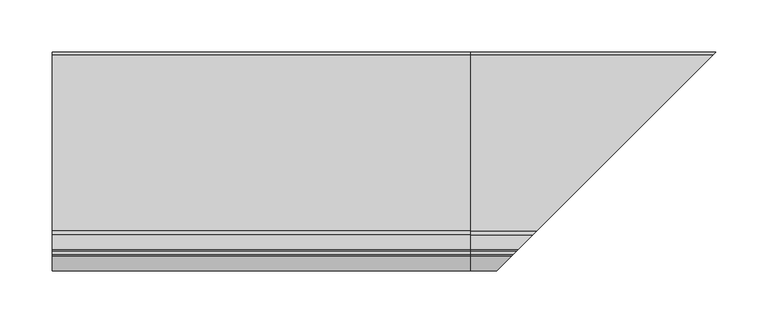
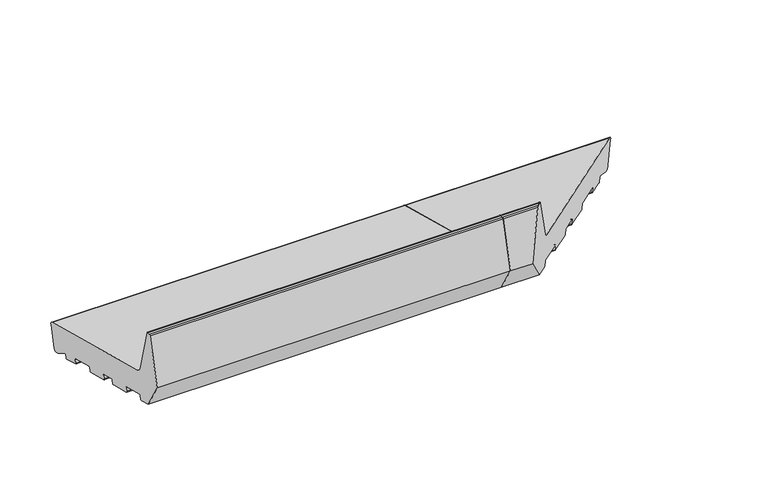
"""IFC4 building model written with IfcOpenShell, lengths in millimetres: proxy geometry."""

from ifc_helpers import new_model, si_unit, point, frame, frame_2d, origin, place, context, project, spatial, polyline, circle_curve, ellipse_curve, trimmed, segment, composite_curve, outline, extrude, source, transform, mapped, element, save
from ifc_brep_helpers import plane_surface, cylinder_surface, revolved_surface, advanced_brep


def generic_models_c1f37c55(model_context):
    return source(origin(), model_context, "Body", "SolidModel", [
        advanced_brep(
        [(400.0, 24.5646181, 4.2013545), (400.0, 21.6668406, 4.9778116), (400.0, 7.6810717, 13.5112573), (400.0, 6.1942921, 12.9164305), (400.0, 5.2461016, 9.3777354), (400.0, 4.0213567, 8.6706286), (400.0, -13.3653082, 13.3293714), (400.0, -14.072415, 14.5541163), (400.0, -13.0371388, 18.4178196), (400.0, -13.7442456, 19.6425645), (400.0, -39.8242429, 26.6306787), (400.0, -41.0489877, 25.9235719), (400.0, -42.0842639, 22.0598686), (400.0, -43.3090088, 21.3527618), (400.0, -68.4230803, 28.082057), (400.0, -69.1301871, 29.3068018), (400.0, -68.0949109, 33.1705052), (400.0, -68.8020177, 34.39525), (400.0, -84.2568309, 38.5363547), (400.0, -85.4815758, 37.829248), (400.0, -86.5168519, 33.9655447), (400.0, -87.7415968, 33.2584379), (400.0, -112.8556683, 39.9877331), (400.0, -113.5627751, 41.2124779), (400.0, -112.5274989, 45.0761812), (400.0, -113.2346057, 46.3009261), (400.0, -139.314603, 53.2890403), (400.0, -140.5393479, 52.5819335), (400.0, -141.574624, 48.7182302), (400.0, -142.7993689, 48.0111234), (400.0, -156.3223305, 51.6345901), (400.0, -174.0, 82.2532119), (400.0, -159.6423334, 135.8367531), (400.0, -158.1934447, 136.9485245), (400.0, -155.1818846, 136.9485245), (400.0, -153.7329958, 135.8367531), (400.0, -139.984545, 84.5268362), (400.0, -135.7419043, 80.2841955), (400.0, 32.8468275, 35.1109809), (400.0, 34.9681479, 31.4367463), (400.0, 28.2388527, 6.3226748), (627.2388527, 28.2388527, 6.3226748), (623.5646181, 24.5646181, 4.2013545), (633.9681479, 34.9681479, 31.4367463), (631.8468275, 32.8468275, 35.1109809), (463.2580957, -135.7419043, 80.2841955), (459.015455, -139.984545, 84.5268362), (445.2670042, -153.7329958, 135.8367531), (443.8181154, -155.1818846, 136.9485245), (440.8065553, -158.1934447, 136.9485245), (439.3576666, -159.6423334, 135.8367531), (425.0, -174.0, 82.2532119), (442.6776695, -156.3223305, 51.6345901), (456.2006311, -142.7993689, 48.0111234), (457.425376, -141.574624, 48.7182302), (458.4606521, -140.5393479, 52.5819335), (459.685397, -139.314603, 53.2890403), (485.7653943, -113.2346057, 46.3009261), (486.4725011, -112.5274989, 45.0761812), (485.4372249, -113.5627751, 41.2124779), (486.1443317, -112.8556683, 39.9877331), (511.2584032, -87.7415968, 33.2584379), (512.4831481, -86.5168519, 33.9655447), (513.5184242, -85.4815758, 37.829248), (514.7431691, -84.2568309, 38.5363547), (620.6668406, 21.6668406, 4.9778116), (530.1979823, -68.8020177, 34.39525), (530.5769197, -68.4230803, 28.082057), (529.8698129, -69.1301871, 29.3068018), (530.9050891, -68.0949109, 33.1705052), (555.6909912, -43.3090088, 21.3527618), (556.9157361, -42.0842639, 22.0598686), (557.9510123, -41.0489877, 25.9235719), (559.1757571, -39.8242429, 26.6306787), (585.2557544, -13.7442456, 19.6425645), (585.9628612, -13.0371388, 18.4178196), (584.927585, -14.072415, 14.5541163), (585.6346918, -13.3653082, 13.3293714), (603.0213567, 4.0213567, 8.6706286), (604.2461016, 5.2461016, 9.3777354), (605.1942921, 6.1942921, 12.9164305), (606.6810717, 7.6810717, 13.5112573)],
        [
            (0, 1),
            (1, 2),
            (2, 3, circle_curve(frame((400.0, 7.1602179, 12.6576114), z_axis=(1.0, 0.0, 0.0), x_axis=(0.0, 1.0, 0.0)), 1.0)),
            (3, 4),
            (4, 5, circle_curve(frame((400.0, 4.2801757, 9.6365544), z_axis=(-1.0, 0.0, 0.0), x_axis=(0.0, 1.0, 0.0)), 1.0)),
            (5, 6),
            (6, 7, circle_curve(frame((400.0, -13.1064891, 14.2952972), z_axis=(-1.0, 0.0, 0.0), x_axis=(0.0, 1.0, 0.0)), 1.0)),
            (7, 8),
            (8, 9, circle_curve(frame((400.0, -14.0030646, 18.6766386), z_axis=(1.0, 0.0, 0.0), x_axis=(0.0, 1.0, 0.0)), 1.0)),
            (9, 10),
            (10, 11, circle_curve(frame((400.0, -40.0830619, 25.6647528), z_axis=(1.0, 0.0, 0.0), x_axis=(0.0, 1.0, 0.0)), 1.0)),
            (11, 12),
            (12, 13, circle_curve(frame((400.0, -43.0501897, 22.3186876), z_axis=(-1.0, 0.0, 0.0), x_axis=(0.0, 1.0, 0.0)), 1.0)),
            (13, 14),
            (14, 15, circle_curve(frame((400.0, -68.1642612, 29.0479828), z_axis=(-1.0, 0.0, 0.0), x_axis=(0.0, 1.0, 0.0)), 1.0)),
            (15, 16),
            (16, 17, circle_curve(frame((400.0, -69.0608367, 33.4293242), z_axis=(1.0, 0.0, 0.0), x_axis=(0.0, 1.0, 0.0)), 1.0)),
            (17, 18),
            (18, 19, circle_curve(frame((400.0, -84.5156499, 37.5704289), z_axis=(1.0, 0.0, 0.0), x_axis=(0.0, 1.0, 0.0)), 1.0)),
            (19, 20),
            (20, 21, circle_curve(frame((400.0, -87.4827778, 34.2243637), z_axis=(-1.0, 0.0, 0.0), x_axis=(0.0, 1.0, 0.0)), 1.0)),
            (21, 22),
            (22, 23, circle_curve(frame((400.0, -112.5968492, 40.9536589), z_axis=(-1.0, 0.0, 0.0), x_axis=(0.0, 1.0, 0.0)), 1.0)),
            (23, 24),
            (24, 25, circle_curve(frame((400.0, -113.4934247, 45.3350003), z_axis=(1.0, 0.0, 0.0), x_axis=(0.0, 1.0, 0.0)), 1.0)),
            (25, 26),
            (26, 27, circle_curve(frame((400.0, -139.573422, 52.3231145), z_axis=(1.0, 0.0, 0.0), x_axis=(0.0, 1.0, 0.0)), 1.0)),
            (27, 28),
            (28, 29, circle_curve(frame((400.0, -142.5405499, 48.9770493), z_axis=(-1.0, 0.0, 0.0), x_axis=(0.0, 1.0, 0.0)), 1.0)),
            (29, 30),
            (30, 31),
            (31, 32),
            (32, 33, circle_curve(frame((400.0, -158.1934447, 135.4485245), z_axis=(-1.0, 0.0, 0.0), x_axis=(0.0, 1.0, 0.0)), 1.5)),
            (33, 34),
            (34, 35, circle_curve(frame((400.0, -155.1818846, 135.4485245), z_axis=(-1.0, 0.0, 0.0), x_axis=(0.0, 1.0, 0.0)), 1.5)),
            (35, 36),
            (36, 37, circle_curve(frame((400.0, -134.1889901, 86.0797504), z_axis=(1.0, 0.0, 0.0), x_axis=(0.0, 1.0, 0.0)), 6.0)),
            (37, 38),
            (38, 39, circle_curve(frame((400.0, 32.0703704, 32.2132034), z_axis=(-1.0, 0.0, 0.0), x_axis=(0.0, 1.0, 0.0)), 3.0)),
            (39, 40),
            (40, 0, circle_curve(frame((400.0, 25.3410752, 7.099132), z_axis=(-1.0, 0.0, 0.0), x_axis=(0.0, 1.0, 0.0)), 3.0)),
            (40, 41),
            (41, 42, ellipse_curve(frame((624.3410752, 25.3410752, 7.099132), z_axis=(-0.707106781186548, 0.7071067811865471, 0.0), x_axis=(0.707106781186547, 0.707106781186548, 0.0)), 4.2426407, 3.0)),
            (42, 0),
            (39, 43),
            (43, 41),
            (38, 44),
            (44, 43, ellipse_curve(frame((631.0703704, 32.0703704, 32.2132034), z_axis=(-0.707106781186548, 0.7071067811865471, 0.0), x_axis=(0.707106781186547, 0.707106781186548, 0.0)), 4.2426407, 3.0)),
            (37, 45),
            (45, 44),
            (36, 46),
            (46, 45, ellipse_curve(frame((464.8110099, -134.1889901, 86.0797504), z_axis=(0.707106781186548, -0.7071067811865471, 0.0), x_axis=(-0.707106781186547, -0.707106781186548, 0.0)), 8.4852814, 6.0)),
            (35, 47),
            (47, 46),
            (34, 48),
            (48, 47, ellipse_curve(frame((443.8181154, -155.1818846, 135.4485245), z_axis=(-0.707106781186548, 0.7071067811865471, 0.0), x_axis=(0.707106781186547, 0.707106781186548, 0.0)), 2.1213203, 1.5)),
            (33, 49),
            (49, 48),
            (32, 50),
            (50, 49, ellipse_curve(frame((440.8065553, -158.1934447, 135.4485245), z_axis=(-0.707106781186548, 0.7071067811865471, 0.0), x_axis=(0.707106781186547, 0.707106781186548, 0.0)), 2.1213203, 1.5)),
            (31, 51),
            (51, 50),
            (30, 52),
            (52, 51),
            (29, 53),
            (53, 52),
            (28, 54),
            (54, 53, ellipse_curve(frame((456.4594501, -142.5405499, 48.9770493), z_axis=(-0.707106781186548, 0.7071067811865471, 0.0), x_axis=(0.707106781186547, 0.707106781186548, 0.0)), 1.4142136, 1.0)),
            (27, 55),
            (55, 54),
            (26, 56),
            (56, 55, ellipse_curve(frame((459.426578, -139.573422, 52.3231145), z_axis=(0.707106781186548, -0.7071067811865471, 0.0), x_axis=(-0.707106781186547, -0.707106781186548, 0.0)), 1.4142136, 1.0)),
            (25, 57),
            (57, 56),
            (24, 58),
            (58, 57, ellipse_curve(frame((485.5065753, -113.4934247, 45.3350003), z_axis=(0.707106781186548, -0.7071067811865471, 0.0), x_axis=(-0.707106781186547, -0.707106781186548, 0.0)), 1.4142136, 1.0)),
            (23, 59),
            (59, 58),
            (22, 60),
            (60, 59, ellipse_curve(frame((486.4031508, -112.5968492, 40.9536589), z_axis=(-0.707106781186548, 0.7071067811865471, 0.0), x_axis=(0.707106781186547, 0.707106781186548, 0.0)), 1.4142136, 1.0)),
            (21, 61),
            (61, 60),
            (20, 62),
            (62, 61, ellipse_curve(frame((511.5172222, -87.4827778, 34.2243637), z_axis=(-0.707106781186548, 0.7071067811865471, 0.0), x_axis=(0.707106781186547, 0.707106781186548, 0.0)), 1.4142136, 1.0)),
            (19, 63),
            (63, 62),
            (18, 64),
            (64, 63, ellipse_curve(frame((514.4843501, -84.5156499, 37.5704289), z_axis=(0.707106781186548, -0.7071067811865471, 0.0), x_axis=(-0.707106781186547, -0.707106781186548, 0.0)), 1.4142136, 1.0)),
            (42, 65),
            (65, 1),
            (17, 66),
            (66, 64),
            (14, 67),
            (67, 68, ellipse_curve(frame((530.8357388, -68.1642612, 29.0479828), z_axis=(-0.707106781186548, 0.7071067811865471, 0.0), x_axis=(0.707106781186547, 0.707106781186548, 0.0)), 1.4142136, 1.0)),
            (68, 15),
            (68, 69),
            (69, 16),
            (69, 66, ellipse_curve(frame((529.9391633, -69.0608367, 33.4293242), z_axis=(0.707106781186548, -0.7071067811865471, 0.0), x_axis=(-0.707106781186547, -0.707106781186548, 0.0)), 1.4142136, 1.0)),
            (13, 70),
            (70, 67),
            (12, 71),
            (71, 70, ellipse_curve(frame((555.9498103, -43.0501897, 22.3186876), z_axis=(-0.707106781186548, 0.7071067811865471, 0.0), x_axis=(0.707106781186547, 0.707106781186548, 0.0)), 1.4142136, 1.0)),
            (11, 72),
            (72, 71),
            (10, 73),
            (73, 72, ellipse_curve(frame((558.9169381, -40.0830619, 25.6647528), z_axis=(0.707106781186548, -0.7071067811865471, 0.0), x_axis=(-0.707106781186547, -0.707106781186548, 0.0)), 1.4142136, 1.0)),
            (9, 74),
            (74, 73),
            (74, 75, ellipse_curve(frame((584.9969354, -14.0030646, 18.6766386), z_axis=(-0.707106781186548, 0.7071067811865471, 0.0), x_axis=(-0.707106781186547, -0.707106781186548, 0.0)), 1.4142136, 1.0)),
            (75, 76),
            (76, 77, ellipse_curve(frame((585.8935109, -13.1064891, 14.2952972), z_axis=(0.707106781186548, -0.7071067811865471, 0.0), x_axis=(0.707106781186547, 0.707106781186548, 0.0)), 1.4142136, 1.0)),
            (77, 78),
            (78, 79, ellipse_curve(frame((603.2801757, 4.2801757, 9.6365544), z_axis=(0.707106781186548, -0.7071067811865471, 0.0), x_axis=(0.707106781186547, 0.707106781186548, 0.0)), 1.4142136, 1.0)),
            (79, 80),
            (80, 81, ellipse_curve(frame((606.1602179, 7.1602179, 12.6576114), z_axis=(-0.707106781186548, 0.7071067811865471, 0.0), x_axis=(-0.707106781186547, -0.707106781186548, 0.0)), 1.4142136, 1.0)),
            (81, 65),
            (81, 2),
            (80, 3),
            (79, 4),
            (78, 5),
            (77, 6),
            (76, 7),
            (75, 8),
        ],
        [
            plane_surface(frame((400.0, 0.0, 0.0), z_axis=(-1.0, 0.0, 0.0), x_axis=(0.0, 0.0, 1.0))),
            cylinder_surface(frame((634.3741644, 25.3410752, 7.099132), z_axis=(1.0, 0.0, 0.0), x_axis=(0.0, 1.0, 0.0)), 3.0),
            plane_surface(frame((634.3741644, 34.9681479, 31.4367463), z_axis=(0.0, 0.9659258262890685, -0.25881904510252035), x_axis=(-1.0, 0.0, 0.0))),
            cylinder_surface(frame((634.3741644, 32.0703704, 32.2132034), z_axis=(1.0, 0.0, 0.0), x_axis=(0.0, 1.0, 0.0)), 3.0),
            plane_surface(frame((634.3741644, -135.7419043, 80.2841955), z_axis=(0.0, 0.2588190451025208, 0.9659258262890684), x_axis=(-1.0, 0.0, 0.0))),
            revolved_surface(polyline([(400.0, -128.1889901, 86.0797504), (470.8110099182161, -128.1889901, 86.0797504)]), (634.3741644, -134.1889901, 86.0797504), (-1.0, 0.0, 0.0)),
            plane_surface(frame((634.3741644, -153.7329958, 135.8367531), z_axis=(0.0, 0.9659258262890665, 0.2588190451025272), x_axis=(-1.0, 0.0, 0.0))),
            cylinder_surface(frame((634.3741644, -155.1818846, 135.4485245), z_axis=(1.0, 0.0, 0.0), x_axis=(0.0, 1.0, 0.0)), 1.5),
            plane_surface(frame((634.3741644, -158.1934447, 136.9485245), z_axis=(0.0, 0.0, 1.0), x_axis=(-1.0, 0.0, 0.0))),
            cylinder_surface(frame((634.3741644, -158.1934447, 135.4485245), z_axis=(1.0, 0.0, 0.0), x_axis=(0.0, 1.0, 0.0)), 1.5),
            plane_surface(frame((634.3741644, -174.0, 82.2532119), z_axis=(0.0, -0.9659258262890684, 0.25881904510252035), x_axis=(-1.0, 0.0, 0.0))),
            plane_surface(frame((634.3741644, -156.3223305, 51.6345901), z_axis=(0.0, -0.8660254037844376, -0.5000000000000019), x_axis=(-1.0, 0.0, 0.0))),
            plane_surface(frame((634.3741644, -142.7993689, 48.0111234), z_axis=(0.0, -0.258819045102519, -0.9659258262890688), x_axis=(-1.0, 0.0, 0.0))),
            cylinder_surface(frame((634.3741644, -142.5405499, 48.9770493), z_axis=(1.0, 0.0, 0.0), x_axis=(0.0, 1.0, 0.0)), 1.0),
            plane_surface(frame((634.3741644, -140.5393479, 52.5819335), z_axis=(0.0, 0.9659258262890676, -0.25881904510252307), x_axis=(-1.0, 0.0, 0.0))),
            revolved_surface(polyline([(400.0, -138.573422, 52.3231145), (460.42657802660625, -138.573422, 52.3231145)]), (634.3741644, -139.573422, 52.3231145), (-1.0, 0.0, 0.0)),
            plane_surface(frame((634.3741644, -113.2346057, 46.3009261), z_axis=(0.0, -0.2588190451025203, -0.9659258262890684), x_axis=(-1.0, 0.0, 0.0))),
            revolved_surface(polyline([(400.0, -112.4934247, 45.3350003), (486.50657532660625, -112.4934247, 45.3350003)]), (634.3741644, -113.4934247, 45.3350003), (-1.0, 0.0, 0.0)),
            plane_surface(frame((634.3741644, -113.5627751, 41.2124779), z_axis=(0.0, -0.9659258262890592, 0.25881904510255466), x_axis=(-1.0, 0.0, 0.0))),
            cylinder_surface(frame((634.3741644, -112.5968492, 40.9536589), z_axis=(1.0, 0.0, 0.0), x_axis=(0.0, 1.0, 0.0)), 1.0),
            plane_surface(frame((634.3741644, -87.7415968, 33.2584379), z_axis=(0.0, -0.25881904510252035, -0.9659258262890685), x_axis=(-1.0, 0.0, 0.0))),
            cylinder_surface(frame((634.3741644, -87.4827778, 34.2243637), z_axis=(1.0, 0.0, 0.0), x_axis=(0.0, 1.0, 0.0)), 1.0),
            plane_surface(frame((634.3741644, -85.4815758, 37.829248), z_axis=(0.0, 0.9659258262890762, -0.25881904510249154), x_axis=(-1.0, 0.0, 0.0))),
            revolved_surface(polyline([(400.0, -83.5156499, 37.5704289), (515.4843501266063, -83.5156499, 37.5704289)]), (634.3741644, -84.5156499, 37.5704289), (-1.0, 0.0, 0.0)),
            plane_surface(frame((634.3741644, 24.5646181, 4.2013545), z_axis=(0.0, -0.25881904510252896, -0.9659258262890661), x_axis=(-1.0, 0.0, 0.0))),
            plane_surface(frame((634.3741644, -68.8020177, 34.39525), z_axis=(0.0, -0.2588190451025202, -0.9659258262890685), x_axis=(-1.0, 0.0, 0.0))),
            cylinder_surface(frame((634.3741644, -68.1642612, 29.0479828), z_axis=(1.0, 0.0, 0.0), x_axis=(0.0, 1.0, 0.0)), 1.0),
            plane_surface(frame((634.3741644, -69.1301871, 29.3068018), z_axis=(0.0, -0.9659258262890762, 0.25881904510249154), x_axis=(-1.0, 0.0, 0.0))),
            revolved_surface(polyline([(400.0, -68.0608367, 33.4293242), (530.9391633266063, -68.0608367, 33.4293242)]), (634.3741644, -69.0608367, 33.4293242), (-1.0, 0.0, 0.0)),
            plane_surface(frame((634.3741644, -43.3090088, 21.3527618), z_axis=(0.0, -0.25881904510252096, -0.9659258262890683), x_axis=(-1.0, 0.0, 0.0))),
            cylinder_surface(frame((634.3741644, -43.0501897, 22.3186876), z_axis=(1.0, 0.0, 0.0), x_axis=(0.0, 1.0, 0.0)), 1.0),
            plane_surface(frame((634.3741644, -41.0489877, 25.9235719), z_axis=(0.0, 0.9659258262890676, -0.25881904510252307), x_axis=(-1.0, 0.0, 0.0))),
            revolved_surface(polyline([(400.0, -39.0830619, 25.6647528), (559.9169381266063, -39.0830619, 25.6647528)]), (634.3741644, -40.0830619, 25.6647528), (-1.0, 0.0, 0.0)),
            plane_surface(frame((634.3741644, -13.7442456, 19.6425645), z_axis=(0.0, -0.2588190451025203, -0.9659258262890684), x_axis=(-1.0, 0.0, 0.0))),
            plane_surface(frame((580.2045815, -18.7954185, 0.0), z_axis=(0.707106781186548, -0.7071067811865471, 0.0), x_axis=(0.0, 0.0, 1.0))),
            plane_surface(frame((634.3741644, 21.6668406, 4.9778116), z_axis=(0.0, -0.5208538026734657, -0.8536458962828736), x_axis=(-1.0, 0.0, 0.0))),
            revolved_surface(polyline([(400.0, 8.1602179, 12.6576114), (607.1602179266063, 8.1602179, 12.6576114)]), (634.3741644, 7.1602179, 12.6576114), (-1.0, 0.0, 0.0)),
            plane_surface(frame((634.3741644, 6.1942921, 12.9164305), z_axis=(0.0, 0.9659258262890675, -0.2588190451025239), x_axis=(-1.0, 0.0, 0.0))),
            cylinder_surface(frame((634.3741644, 4.2801757, 9.6365544), z_axis=(1.0, 0.0, 0.0), x_axis=(0.0, 1.0, 0.0)), 1.0),
            plane_surface(frame((634.3741644, 4.0213567, 8.6706286), z_axis=(0.0, -0.2588190451025209, -0.9659258262890683), x_axis=(-1.0, 0.0, 0.0))),
            cylinder_surface(frame((634.3741644, -13.1064891, 14.2952972), z_axis=(1.0, 0.0, 0.0), x_axis=(0.0, 1.0, 0.0)), 1.0),
            plane_surface(frame((634.3741644, -14.072415, 14.5541163), z_axis=(0.0, -0.9659258262890759, 0.2588190451024926), x_axis=(-1.0, 0.0, 0.0))),
            revolved_surface(polyline([(400.0, -13.0030646, 18.6766386), (585.9969354266062, -13.0030646, 18.6766386)]), (634.3741644, -14.0030646, 18.6766386), (-1.0, 0.0, 0.0)),
        ],
        [
            (0, [[1, 2, 3, 4, 5, 6, 7, 8, 9, 10, 11, 12, 13, 14, 15, 16, 17, 18, 19, 20, 21, 22, 23, 24, 25, 26, 27, 28, 29, 30, 31, 32, 33, 34, 35, 36, 37, 38, 39, 40, 41]]),
            (1, [[42, 43, 44, -41]]),
            (2, [[45, 46, -42, -40]]),
            (3, [[47, 48, -45, -39]]),
            (4, [[49, 50, -47, -38]]),
            (5, [[51, 52, -49, -37]]),
            (6, [[53, 54, -51, -36]]),
            (7, [[55, 56, -53, -35]]),
            (8, [[57, 58, -55, -34]]),
            (9, [[59, 60, -57, -33]]),
            (10, [[61, 62, -59, -32]]),
            (11, [[63, 64, -61, -31]]),
            (12, [[65, 66, -63, -30]]),
            (13, [[67, 68, -65, -29]]),
            (14, [[69, 70, -67, -28]]),
            (15, [[71, 72, -69, -27]]),
            (16, [[73, 74, -71, -26]]),
            (17, [[75, 76, -73, -25]]),
            (18, [[77, 78, -75, -24]]),
            (19, [[79, 80, -77, -23]]),
            (20, [[81, 82, -79, -22]]),
            (21, [[83, 84, -81, -21]]),
            (22, [[85, 86, -83, -20]]),
            (23, [[87, 88, -85, -19]]),
            (24, [[-44, 89, 90, -1]]),
            (25, [[91, 92, -87, -18]]),
            (26, [[93, 94, 95, -15]]),
            (27, [[-95, 96, 97, -16]]),
            (28, [[-97, 98, -91, -17]]),
            (29, [[99, 100, -93, -14]]),
            (30, [[101, 102, -99, -13]]),
            (31, [[103, 104, -101, -12]]),
            (32, [[105, 106, -103, -11]]),
            (33, [[107, 108, -105, -10]]),
            (34, [[-46, -48, -50, -52, -54, -56, -58, -60, -62, -64, -66, -68, -70, -72, -74, -76, -78, -80, -82, -84, -86, -88, -92, -98, -96, -94, -100, -102, -104, -106, -108, 109, 110, 111, 112, 113, 114, 115, 116, -89, -43]]),
            (35, [[-90, -116, 117, -2]]),
            (36, [[-117, -115, 118, -3]]),
            (37, [[-118, -114, 119, -4]]),
            (38, [[-119, -113, 120, -5]]),
            (39, [[-120, -112, 121, -6]]),
            (40, [[-121, -111, 122, -7]]),
            (41, [[-122, -110, 123, -8]]),
            (42, [[-123, -109, -107, -9]]),
        ],
    ),
        extrude(outline(composite_curve([segment(polyline([(24.5646181, 4.2013545), (21.6668406, 4.9778116), (7.6810717, 13.5112573)]), True, "CONTINUOUS"), segment(trimmed(circle_curve(frame_2d((7.1602179, 12.6576114)), 1.0), [point((7.6810717, 13.5112573))], [point((6.1942921, 12.9164305))], True, "CARTESIAN"), True, "CONTINUOUS"), segment(polyline([(6.1942921, 12.9164305), (5.2461016, 9.3777354)]), True, "CONTINUOUS"), segment(trimmed(circle_curve(frame_2d((4.2801757, 9.6365544)), 1.0), [point((5.2461016, 9.3777354))], [point((4.0213567, 8.6706286))], False, "CARTESIAN"), True, "CONTINUOUS"), segment(polyline([(4.0213567, 8.6706286), (-13.3653082, 13.3293714)]), True, "CONTINUOUS"), segment(trimmed(circle_curve(frame_2d((-13.1064891, 14.2952972)), 1.0), [point((-13.3653082, 13.3293714))], [point((-14.072415, 14.5541163))], False, "CARTESIAN"), True, "CONTINUOUS"), segment(polyline([(-14.072415, 14.5541163), (-13.0371388, 18.4178196)]), True, "CONTINUOUS"), segment(trimmed(circle_curve(frame_2d((-14.0030646, 18.6766386)), 1.0), [point((-13.0371388, 18.4178196))], [point((-13.7442456, 19.6425645))], True, "CARTESIAN"), True, "CONTINUOUS"), segment(polyline([(-13.7442456, 19.6425645), (-39.8242429, 26.6306787)]), True, "CONTINUOUS"), segment(trimmed(circle_curve(frame_2d((-40.0830619, 25.6647528)), 1.0), [point((-39.8242429, 26.6306787))], [point((-41.0489877, 25.9235719))], True, "CARTESIAN"), True, "CONTINUOUS"), segment(polyline([(-41.0489877, 25.9235719), (-42.0842639, 22.0598686)]), True, "CONTINUOUS"), segment(trimmed(circle_curve(frame_2d((-43.0501897, 22.3186876)), 1.0), [point((-42.0842639, 22.0598686))], [point((-43.3090088, 21.3527618))], False, "CARTESIAN"), True, "CONTINUOUS"), segment(polyline([(-43.3090088, 21.3527618), (-68.4230803, 28.082057)]), True, "CONTINUOUS"), segment(trimmed(circle_curve(frame_2d((-68.1642612, 29.0479828)), 1.0), [point((-68.4230803, 28.082057))], [point((-69.1301871, 29.3068018))], False, "CARTESIAN"), True, "CONTINUOUS"), segment(polyline([(-69.1301871, 29.3068018), (-68.0949109, 33.1705052)]), True, "CONTINUOUS"), segment(trimmed(circle_curve(frame_2d((-69.0608367, 33.4293242)), 1.0), [point((-68.0949109, 33.1705052))], [point((-68.8020177, 34.39525))], True, "CARTESIAN"), True, "CONTINUOUS"), segment(polyline([(-68.8020177, 34.39525), (-84.2568309, 38.5363547)]), True, "CONTINUOUS"), segment(trimmed(circle_curve(frame_2d((-84.5156499, 37.5704289)), 1.0), [point((-84.2568309, 38.5363547))], [point((-85.4815758, 37.829248))], True, "CARTESIAN"), True, "CONTINUOUS"), segment(polyline([(-85.4815758, 37.829248), (-86.5168519, 33.9655447)]), True, "CONTINUOUS"), segment(trimmed(circle_curve(frame_2d((-87.4827778, 34.2243637)), 1.0), [point((-86.5168519, 33.9655447))], [point((-87.7415968, 33.2584379))], False, "CARTESIAN"), True, "CONTINUOUS"), segment(polyline([(-87.7415968, 33.2584379), (-112.8556683, 39.9877331)]), True, "CONTINUOUS"), segment(trimmed(circle_curve(frame_2d((-112.5968492, 40.9536589)), 1.0), [point((-112.8556683, 39.9877331))], [point((-113.5627751, 41.2124779))], False, "CARTESIAN"), True, "CONTINUOUS"), segment(polyline([(-113.5627751, 41.2124779), (-112.5274989, 45.0761812)]), True, "CONTINUOUS"), segment(trimmed(circle_curve(frame_2d((-113.4934247, 45.3350003)), 1.0), [point((-112.5274989, 45.0761812))], [point((-113.2346057, 46.3009261))], True, "CARTESIAN"), True, "CONTINUOUS"), segment(polyline([(-113.2346057, 46.3009261), (-139.314603, 53.2890403)]), True, "CONTINUOUS"), segment(trimmed(circle_curve(frame_2d((-139.573422, 52.3231145)), 1.0), [point((-139.314603, 53.2890403))], [point((-140.5393479, 52.5819335))], True, "CARTESIAN"), True, "CONTINUOUS"), segment(polyline([(-140.5393479, 52.5819335), (-141.574624, 48.7182302)]), True, "CONTINUOUS"), segment(trimmed(circle_curve(frame_2d((-142.5405499, 48.9770493)), 1.0), [point((-141.574624, 48.7182302))], [point((-142.7993689, 48.0111234))], False, "CARTESIAN"), True, "CONTINUOUS"), segment(polyline([(-142.7993689, 48.0111234), (-156.3223305, 51.6345901), (-174.0, 82.2532119), (-159.6423334, 135.8367531)]), True, "CONTINUOUS"), segment(trimmed(circle_curve(frame_2d((-158.1934447, 135.4485245)), 1.5), [point((-159.6423334, 135.8367531))], [point((-158.1934447, 136.9485245))], False, "CARTESIAN"), True, "CONTINUOUS"), segment(polyline([(-158.1934447, 136.9485245), (-155.1818846, 136.9485245)]), True, "CONTINUOUS"), segment(trimmed(circle_curve(frame_2d((-155.1818846, 135.4485245)), 1.5), [point((-155.1818846, 136.9485245))], [point((-153.7329958, 135.8367531))], False, "CARTESIAN"), True, "CONTINUOUS"), segment(polyline([(-153.7329958, 135.8367531), (-139.984545, 84.5268362)]), True, "CONTINUOUS"), segment(trimmed(circle_curve(frame_2d((-134.1889901, 86.0797504)), 6.0), [point((-139.984545, 84.5268362))], [point((-135.7419043, 80.2841955))], True, "CARTESIAN"), True, "CONTINUOUS"), segment(polyline([(-135.7419043, 80.2841955), (32.8468275, 35.1109809)]), True, "CONTINUOUS"), segment(trimmed(circle_curve(frame_2d((32.0703704, 32.2132034)), 3.0), [point((32.8468275, 35.1109809))], [point((34.9681479, 31.4367463))], False, "CARTESIAN"), True, "CONTINUOUS"), segment(polyline([(34.9681479, 31.4367463), (28.2388527, 6.3226748)]), True, "CONTINUOUS"), segment(trimmed(circle_curve(frame_2d((25.3410752, 7.099132)), 3.0), [point((28.2388527, 6.3226748))], [point((24.5646181, 4.2013545))], False, "CARTESIAN"), True, "CONTINUOUS")], self_intersect=False)), frame((0.0, 0.0, 0.0), z_axis=(1.0, 0.0, 0.0), x_axis=(0.0, 1.0, 0.0)), (0.0, 0.0, 1.0), 400.0),
    ])


if __name__ == "__main__":
    model = new_model("IFC4")
    model_context = context("Model", 3, world=origin())
    ifc_project = project(units=[si_unit("LENGTHUNIT", "METRE", prefix="MILLI")], contexts=[model_context])
    site = spatial("IfcSite", under=ifc_project)
    building = spatial("IfcBuilding", under=site)
    placement = place(None, origin())
    generic_models_shape = generic_models_c1f37c55(model_context)
    element("IfcBuildingElementProxy", 1, Name="Generic Models", at=placement, inside=building, context=model_context, shape_type="MappedRepresentation", body=[
        mapped(generic_models_shape, transform((0.0, 0.0, 0.0), x_axis=(1.0, 0.0, 0.0), y_axis=(0.0, 1.0, 0.0), z_axis=(0.0, 0.0, 1.0))),
    ])
    save(model, "model.ifc")
